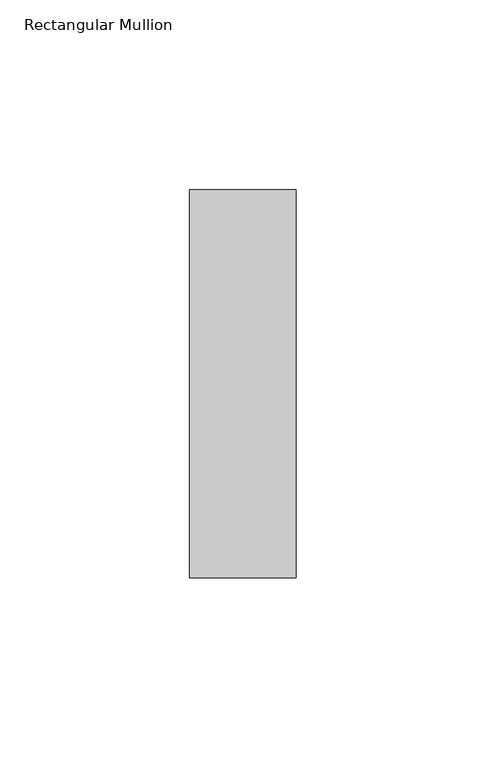
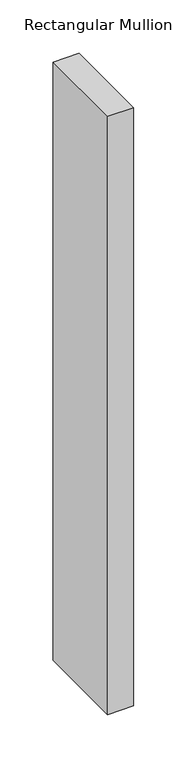
"""IFC4 building model written with IfcOpenShell, lengths in millimetres: member geometry, Rectangular Mullion."""

from ifc_helpers import new_model, si_unit, frame, origin, place, context, project, spatial, polyline, outline, extrude, source, transform, mapped, element, save


def rectangular_mullion_4159cdfc(model_context):
    return source(origin(), model_context, "Body", "SweptSolid", [
        extrude(outline(polyline([(0.0, -51.0), (-28.0, -51.0), (-28.0, 51.0), (0.0, 51.0), (0.0, -51.0)])), frame((0.0, 0.0, -683.4), z_axis=(0.0, 0.0, 1.0), x_axis=(1.0, 0.0, 0.0)), (0.0, 0.0, 1.0), 683.4),
    ])


if __name__ == "__main__":
    model = new_model("IFC4")
    model_context = context("Model", 3, world=origin())
    ifc_project = project(units=[si_unit("LENGTHUNIT", "METRE", prefix="MILLI")], contexts=[model_context])
    site = spatial("IfcSite", under=ifc_project)
    building = spatial("IfcBuilding", under=site)
    placement = place(None, origin())
    rectangular_mullion_shape = rectangular_mullion_4159cdfc(model_context)
    element("IfcMember", 1, ObjectType="Rectangular Mullion", at=placement, inside=building, context=model_context, shape_type="MappedRepresentation", body=[
        mapped(rectangular_mullion_shape, transform((0.0, 0.0, 0.0), x_axis=(1.0, 0.0, 0.0), y_axis=(0.0, 1.0, 0.0), z_axis=(0.0, 0.0, 1.0))),
    ])
    save(model, "model.ifc")
